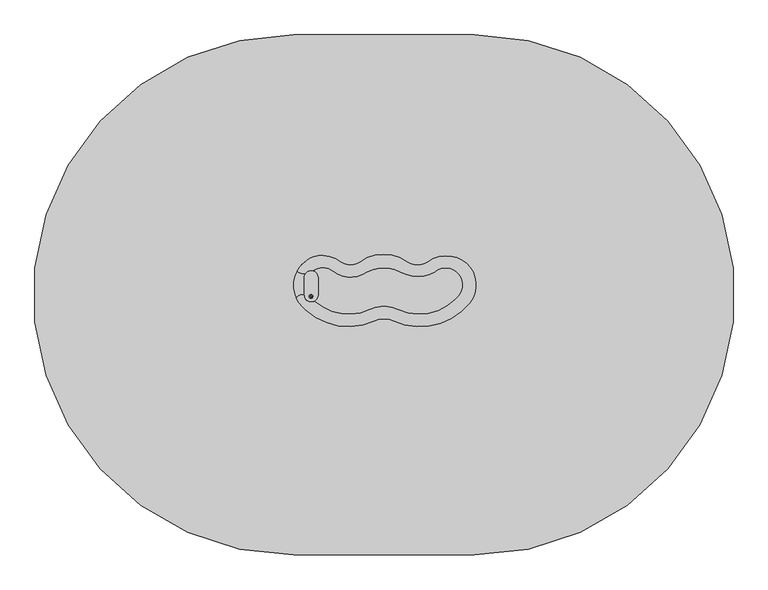
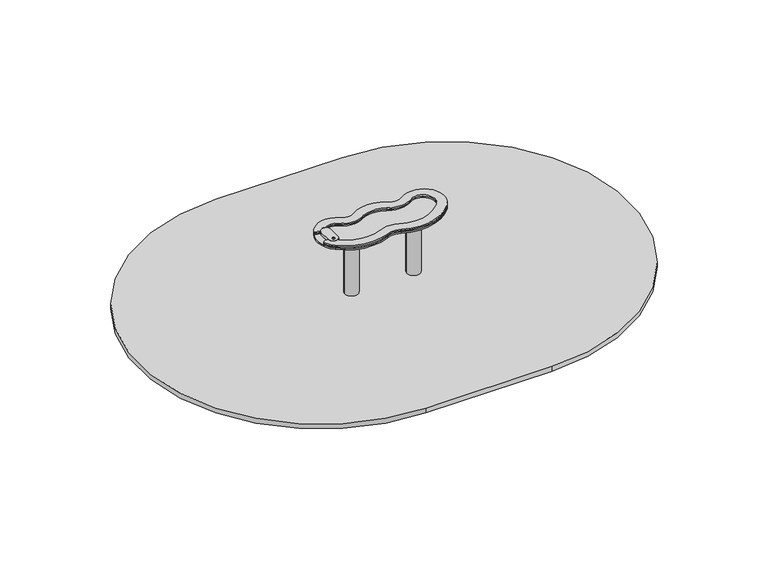
"""IFC4 building model written with IfcOpenShell, lengths in millimetres: furniture geometry."""

from ifc_helpers import new_model, si_unit, point, frame, frame_2d, origin, place, context, project, spatial, polyline, circle_curve, trimmed, segment, composite_curve, outline, extrude, source, transform, mapped, element, save
from ifc_brep_helpers import plane_surface, cylinder_surface, revolved_surface, extruded_surface, advanced_brep


def furniture_62fdcc9a(model_context):
    return source(origin(), model_context, "Body", "SolidModel", [
        advanced_brep(
        [(-344.5, 72.4599432, -225.0), (-357.0, 72.4599432, -225.0), (-369.5, 72.4599432, -225.0), (-429.5, 12.4599432, -225.0), (-429.5, -12.5400568, -225.0), (-369.5, -72.5400568, -225.0), (-344.5, -72.5400568, -225.0), (-284.5, -12.5400568, -225.0), (-284.5, 12.4599432, -225.0), (-267.0, 150.0, -460.0), (-357.0, 150.0, -460.0), (-447.0, 150.0, -460.0), (-507.0, 90.0, -460.0), (-507.0, -90.0, -460.0), (-447.0, -150.0, -460.0), (-267.0, -150.0, -460.0), (-207.0, -90.0, -460.0), (-207.0, 90.0, -460.0), (-267.0, 150.0, -600.0), (-207.0, 90.0, -600.0), (-207.0, -90.0, -600.0), (-267.0, -150.0, -600.0), (-447.0, -150.0, -600.0), (-507.0, -90.0, -600.0), (-507.0, 90.0, -600.0), (-447.0, 150.0, -600.0), (-357.0, 150.0, -600.0)],
        [
            (0, 1),
            (1, 2),
            (2, 3, circle_curve(frame((-369.5, 12.4599432, -225.0), z_axis=(0.0, 0.0, 1.0), x_axis=(1.0, 0.0, 0.0)), 60.0)),
            (3, 4),
            (4, 5, circle_curve(frame((-369.5, -12.5400568, -225.0), z_axis=(0.0, 0.0, 1.0), x_axis=(1.0, 0.0, 0.0)), 60.0)),
            (5, 6),
            (6, 7, circle_curve(frame((-344.5, -12.5400568, -225.0), z_axis=(0.0, 0.0, 1.0), x_axis=(1.0, 0.0, 0.0)), 60.0)),
            (7, 8),
            (8, 0, circle_curve(frame((-344.5, 12.4599432, -225.0), z_axis=(0.0, 0.0, 1.0), x_axis=(1.0, 0.0, 0.0)), 60.0)),
            (0, 9),
            (9, 10),
            (10, 1),
            (10, 11),
            (11, 2),
            (11, 12, circle_curve(frame((-447.0, 90.0, -460.0), z_axis=(0.0, 0.0, 1.0), x_axis=(1.0, 0.0, 0.0)), 60.0)),
            (12, 3),
            (12, 13),
            (13, 4),
            (13, 14, circle_curve(frame((-447.0, -90.0, -460.0), z_axis=(0.0, 0.0, 1.0), x_axis=(1.0, 0.0, 0.0)), 60.0)),
            (14, 5),
            (14, 15),
            (15, 6),
            (15, 16, circle_curve(frame((-267.0, -90.0, -460.0), z_axis=(0.0, 0.0, 1.0), x_axis=(1.0, 0.0, 0.0)), 60.0)),
            (16, 7),
            (16, 17),
            (17, 8),
            (17, 9, circle_curve(frame((-267.0, 90.0, -460.0), z_axis=(0.0, 0.0, 1.0), x_axis=(1.0, 0.0, 0.0)), 60.0)),
            (18, 19, circle_curve(frame((-267.0, 90.0, -600.0), z_axis=(0.0, 0.0, -1.0), x_axis=(1.0, 0.0, 0.0)), 60.0)),
            (19, 20),
            (20, 21, circle_curve(frame((-267.0, -90.0, -600.0), z_axis=(0.0, 0.0, -1.0), x_axis=(1.0, 0.0, 0.0)), 60.0)),
            (21, 22),
            (22, 23, circle_curve(frame((-447.0, -90.0, -600.0), z_axis=(0.0, 0.0, -1.0), x_axis=(1.0, 0.0, 0.0)), 60.0)),
            (23, 24),
            (24, 25, circle_curve(frame((-447.0, 90.0, -600.0), z_axis=(0.0, 0.0, -1.0), x_axis=(1.0, 0.0, 0.0)), 60.0)),
            (25, 26),
            (26, 18),
            (26, 10),
            (9, 18),
            (25, 11),
            (23, 13),
            (12, 24),
            (21, 15),
            (14, 22),
            (19, 17),
            (16, 20),
        ],
        [
            plane_surface(frame((-357.0, 8.0154988, -225.0), z_axis=(0.0, 0.0, 1.0), x_axis=(-1.0, 0.0, 0.0))),
            plane_surface(frame((-350.75, 72.4599432, -225.0), z_axis=(0.0, 0.9496406059136844, 0.3133412191204512), x_axis=(1.0, 0.0, 0.0))),
            plane_surface(frame((-363.25, 72.4599432, -225.0), z_axis=(0.0, 0.9496406059136843, 0.3133412191204512), x_axis=(1.0, 0.0, 0.0))),
            extruded_surface(trimmed(circle_curve(frame((-369.5, 12.4599432, -225.0), z_axis=(0.0, 0.0, -1.0), x_axis=(1.0, 0.0, 0.0)), 60.0), [point((-429.5, 12.4599432, -225.0))], [point((-369.5, 72.4599432, -225.0))], True, "CARTESIAN"), (-77.5, 77.5400568, -235.0), 259.3139225119763),
            plane_surface(frame((-429.5, -0.0400568, -225.0), z_axis=(-0.9496887635303409, 0.0, 0.31319523052596476), x_axis=(0.0, 1.0, 0.0))),
            extruded_surface(trimmed(circle_curve(frame((-369.5, -12.5400568, -225.0), z_axis=(0.0, 0.0, -1.0), x_axis=(1.0, 0.0, 0.0)), 60.0), [point((-369.5, -72.5400568, -225.0))], [point((-429.5, -12.5400568, -225.0))], True, "CARTESIAN"), (-77.5, -77.4599432, -235.0), 259.2899782107809),
            plane_surface(frame((-357.0, -72.5400568, -225.0), z_axis=(0.0, -0.9497369035840961, 0.3130492197250991), x_axis=(-1.0, 0.0, 0.0))),
            extruded_surface(trimmed(circle_curve(frame((-344.5, -12.5400568, -225.0), z_axis=(0.0, 0.0, -1.0), x_axis=(1.0, 0.0, 0.0)), 60.0), [point((-284.5, -12.5400568, -225.0))], [point((-344.5, -72.5400568, -225.0))], True, "CARTESIAN"), (77.5, -77.4599432, -235.0), 259.2899782107809),
            plane_surface(frame((-284.5, -0.0400568, -225.0), z_axis=(0.9496887635303416, 0.0, 0.3131952305259627), x_axis=(0.0, -1.0, 0.0))),
            extruded_surface(trimmed(circle_curve(frame((-344.5, 12.4599432, -225.0), z_axis=(0.0, 0.0, -1.0), x_axis=(1.0, 0.0, 0.0)), 60.0), [point((-344.5, 72.4599432, -225.0))], [point((-284.5, 12.4599432, -225.0))], True, "CARTESIAN"), (77.5, 77.5400568, -235.0), 259.3139225119763),
            plane_surface(frame((-357.0, 150.0, -600.0), z_axis=(0.0, 0.0, -1.0), x_axis=(1.0, 0.0, 0.0))),
            plane_surface(frame((-267.0, 150.0, -460.0), z_axis=(0.0, 1.0, 0.0), x_axis=(0.0, 0.0, -1.0))),
            plane_surface(frame((-357.0, 150.0, -460.0), z_axis=(0.0, 1.0, 0.0), x_axis=(0.0, 0.0, -1.0))),
            plane_surface(frame((-507.0, 90.0, -460.0), z_axis=(-1.0, 0.0, 0.0), x_axis=(0.0, 0.0, -1.0))),
            plane_surface(frame((-447.0, -150.0, -460.0), z_axis=(0.0, -1.0, 0.0), x_axis=(0.0, 0.0, -1.0))),
            plane_surface(frame((-207.0, -90.0, -460.0), z_axis=(1.0, 0.0, 0.0), x_axis=(0.0, 0.0, -1.0))),
            cylinder_surface(frame((-447.0, 90.0, -600.0), z_axis=(0.0, 0.0, 1.0), x_axis=(1.0, 0.0, 0.0)), 60.0),
            cylinder_surface(frame((-447.0, -90.0, -600.0), z_axis=(0.0, 0.0, 1.0), x_axis=(1.0, 0.0, 0.0)), 60.0),
            cylinder_surface(frame((-267.0, -90.0, -600.0), z_axis=(0.0, 0.0, 1.0), x_axis=(1.0, 0.0, 0.0)), 60.0),
            cylinder_surface(frame((-267.0, 90.0, -600.0), z_axis=(0.0, 0.0, 1.0), x_axis=(1.0, 0.0, 0.0)), 60.0),
        ],
        [
            (0, [[1, 2, 3, 4, 5, 6, 7, 8, 9]]),
            (1, [[-1, 10, 11, 12]]),
            (2, [[-2, -12, 13, 14]]),
            (3, [[-3, -14, 15, 16]]),
            (4, [[-4, -16, 17, 18]]),
            (5, [[-5, -18, 19, 20]]),
            (6, [[-6, -20, 21, 22]]),
            (7, [[-7, -22, 23, 24]]),
            (8, [[-8, -24, 25, 26]]),
            (9, [[-9, -26, 27, -10]]),
            (10, [[28, 29, 30, 31, 32, 33, 34, 35, 36]]),
            (11, [[-36, 37, -11, 38]]),
            (12, [[-35, 39, -13, -37]]),
            (13, [[-33, 40, -17, 41]]),
            (14, [[-31, 42, -21, 43]]),
            (15, [[-29, 44, -25, 45]]),
            (16, [[-34, -41, -15, -39]]),
            (17, [[-32, -43, -19, -40]]),
            (18, [[-30, -45, -23, -42]]),
            (19, [[-28, -38, -27, -44]]),
        ],
    ),
        extrude(outline(composite_curve([segment(trimmed(circle_curve(frame_2d((-357.0, 0.0)), 55.0), [point((-412.0, 0.0))], [point((-302.0, 0.0))], False, "CARTESIAN"), True, "CONTINUOUS"), segment(trimmed(circle_curve(frame_2d((-357.0, 0.0)), 55.0), [point((-302.0, 0.0))], [point((-412.0, 0.0))], False, "CARTESIAN"), True, "CONTINUOUS")], self_intersect=False)), frame((0.0, 0.0, -600.0), z_axis=(0.0, 0.0, 1.0), x_axis=(1.0, 0.0, 0.0)), (0.0, 0.0, 1.0), 500.0),
        advanced_brep(
        [(167.5, 72.4599432, -225.0), (155.0, 72.4599432, -225.0), (142.5, 72.4599432, -225.0), (82.5, 12.4599432, -225.0), (82.5, -12.5400568, -225.0), (142.5, -72.5400568, -225.0), (167.5, -72.5400568, -225.0), (227.5, -12.5400568, -225.0), (227.5, 12.4599432, -225.0), (245.0, 150.0, -460.0), (155.0, 150.0, -460.0), (65.0, 150.0, -460.0), (5.0, 90.0, -460.0), (5.0, -90.0, -460.0), (65.0, -150.0, -460.0), (245.0, -150.0, -460.0), (305.0, -90.0, -460.0), (305.0, 90.0, -460.0), (245.0, 150.0, -600.0), (305.0, 90.0, -600.0), (305.0, -90.0, -600.0), (245.0, -150.0, -600.0), (65.0, -150.0, -600.0), (5.0, -90.0, -600.0), (5.0, 90.0, -600.0), (65.0, 150.0, -600.0), (155.0, 150.0, -600.0)],
        [
            (0, 1),
            (1, 2),
            (2, 3, circle_curve(frame((142.5, 12.4599432, -225.0), z_axis=(0.0, 0.0, 1.0), x_axis=(1.0, 0.0, 0.0)), 60.0)),
            (3, 4),
            (4, 5, circle_curve(frame((142.5, -12.5400568, -225.0), z_axis=(0.0, 0.0, 1.0), x_axis=(1.0, 0.0, 0.0)), 60.0)),
            (5, 6),
            (6, 7, circle_curve(frame((167.5, -12.5400568, -225.0), z_axis=(0.0, 0.0, 1.0), x_axis=(1.0, 0.0, 0.0)), 60.0)),
            (7, 8),
            (8, 0, circle_curve(frame((167.5, 12.4599432, -225.0), z_axis=(0.0, 0.0, 1.0), x_axis=(1.0, 0.0, 0.0)), 60.0)),
            (0, 9),
            (9, 10),
            (10, 1),
            (10, 11),
            (11, 2),
            (11, 12, circle_curve(frame((65.0, 90.0, -460.0), z_axis=(0.0, 0.0, 1.0), x_axis=(1.0, 0.0, 0.0)), 60.0)),
            (12, 3),
            (12, 13),
            (13, 4),
            (13, 14, circle_curve(frame((65.0, -90.0, -460.0), z_axis=(0.0, 0.0, 1.0), x_axis=(1.0, 0.0, 0.0)), 60.0)),
            (14, 5),
            (14, 15),
            (15, 6),
            (15, 16, circle_curve(frame((245.0, -90.0, -460.0), z_axis=(0.0, 0.0, 1.0), x_axis=(1.0, 0.0, 0.0)), 60.0)),
            (16, 7),
            (16, 17),
            (17, 8),
            (17, 9, circle_curve(frame((245.0, 90.0, -460.0), z_axis=(0.0, 0.0, 1.0), x_axis=(1.0, 0.0, 0.0)), 60.0)),
            (18, 19, circle_curve(frame((245.0, 90.0, -600.0), z_axis=(0.0, 0.0, -1.0), x_axis=(1.0, 0.0, 0.0)), 60.0)),
            (19, 20),
            (20, 21, circle_curve(frame((245.0, -90.0, -600.0), z_axis=(0.0, 0.0, -1.0), x_axis=(1.0, 0.0, 0.0)), 60.0)),
            (21, 22),
            (22, 23, circle_curve(frame((65.0, -90.0, -600.0), z_axis=(0.0, 0.0, -1.0), x_axis=(1.0, 0.0, 0.0)), 60.0)),
            (23, 24),
            (24, 25, circle_curve(frame((65.0, 90.0, -600.0), z_axis=(0.0, 0.0, -1.0), x_axis=(1.0, 0.0, 0.0)), 60.0)),
            (25, 26),
            (26, 18),
            (26, 10),
            (9, 18),
            (25, 11),
            (23, 13),
            (12, 24),
            (21, 15),
            (14, 22),
            (19, 17),
            (16, 20),
        ],
        [
            plane_surface(frame((155.0, 8.0154988, -225.0), z_axis=(0.0, 0.0, 1.0), x_axis=(-1.0, 0.0, 0.0))),
            plane_surface(frame((161.25, 72.4599432, -225.0), z_axis=(0.0, 0.9496406059136844, 0.3133412191204512), x_axis=(1.0, 0.0, 0.0))),
            plane_surface(frame((148.75, 72.4599432, -225.0), z_axis=(0.0, 0.9496406059136843, 0.3133412191204512), x_axis=(1.0, 0.0, 0.0))),
            extruded_surface(trimmed(circle_curve(frame((142.5, 12.4599432, -225.0), z_axis=(0.0, 0.0, -1.0), x_axis=(1.0, 0.0, 0.0)), 60.0), [point((82.5, 12.4599432, -225.0))], [point((142.5, 72.4599432, -225.0))], True, "CARTESIAN"), (-77.5, 77.5400568, -235.0), 259.3139225119763),
            plane_surface(frame((82.5, -0.0400568, -225.0), z_axis=(-0.9496887635303409, 0.0, 0.31319523052596476), x_axis=(0.0, 1.0, 0.0))),
            extruded_surface(trimmed(circle_curve(frame((142.5, -12.5400568, -225.0), z_axis=(0.0, 0.0, -1.0), x_axis=(1.0, 0.0, 0.0)), 60.0), [point((142.5, -72.5400568, -225.0))], [point((82.5, -12.5400568, -225.0))], True, "CARTESIAN"), (-77.5, -77.4599432, -235.0), 259.2899782107809),
            plane_surface(frame((155.0, -72.5400568, -225.0), z_axis=(0.0, -0.9497369035840961, 0.3130492197250991), x_axis=(-1.0, 0.0, 0.0))),
            extruded_surface(trimmed(circle_curve(frame((167.5, -12.5400568, -225.0), z_axis=(0.0, 0.0, -1.0), x_axis=(1.0, 0.0, 0.0)), 60.0), [point((227.5, -12.5400568, -225.0))], [point((167.5, -72.5400568, -225.0))], True, "CARTESIAN"), (77.5, -77.4599432, -235.0), 259.2899782107809),
            plane_surface(frame((227.5, -0.0400568, -225.0), z_axis=(0.9496887635303416, 0.0, 0.3131952305259627), x_axis=(0.0, -1.0, 0.0))),
            extruded_surface(trimmed(circle_curve(frame((167.5, 12.4599432, -225.0), z_axis=(0.0, 0.0, -1.0), x_axis=(1.0, 0.0, 0.0)), 60.0), [point((167.5, 72.4599432, -225.0))], [point((227.5, 12.4599432, -225.0))], True, "CARTESIAN"), (77.5, 77.5400568, -235.0), 259.3139225119763),
            plane_surface(frame((155.0, 150.0, -600.0), z_axis=(0.0, 0.0, -1.0), x_axis=(1.0, 0.0, 0.0))),
            plane_surface(frame((245.0, 150.0, -460.0), z_axis=(0.0, 1.0, 0.0), x_axis=(0.0, 0.0, -1.0))),
            plane_surface(frame((155.0, 150.0, -460.0), z_axis=(0.0, 1.0, 0.0), x_axis=(0.0, 0.0, -1.0))),
            plane_surface(frame((5.0, 90.0, -460.0), z_axis=(-1.0, 0.0, 0.0), x_axis=(0.0, 0.0, -1.0))),
            plane_surface(frame((65.0, -150.0, -460.0), z_axis=(0.0, -1.0, 0.0), x_axis=(0.0, 0.0, -1.0))),
            plane_surface(frame((305.0, -90.0, -460.0), z_axis=(1.0, 0.0, 0.0), x_axis=(0.0, 0.0, -1.0))),
            cylinder_surface(frame((65.0, 90.0, -600.0), z_axis=(0.0, 0.0, 1.0), x_axis=(1.0, 0.0, 0.0)), 60.0),
            cylinder_surface(frame((65.0, -90.0, -600.0), z_axis=(0.0, 0.0, 1.0), x_axis=(1.0, 0.0, 0.0)), 60.0),
            cylinder_surface(frame((245.0, -90.0, -600.0), z_axis=(0.0, 0.0, 1.0), x_axis=(1.0, 0.0, 0.0)), 60.0),
            cylinder_surface(frame((245.0, 90.0, -600.0), z_axis=(0.0, 0.0, 1.0), x_axis=(1.0, 0.0, 0.0)), 60.0),
        ],
        [
            (0, [[1, 2, 3, 4, 5, 6, 7, 8, 9]]),
            (1, [[-1, 10, 11, 12]]),
            (2, [[-2, -12, 13, 14]]),
            (3, [[-3, -14, 15, 16]]),
            (4, [[-4, -16, 17, 18]]),
            (5, [[-5, -18, 19, 20]]),
            (6, [[-6, -20, 21, 22]]),
            (7, [[-7, -22, 23, 24]]),
            (8, [[-8, -24, 25, 26]]),
            (9, [[-9, -26, 27, -10]]),
            (10, [[28, 29, 30, 31, 32, 33, 34, 35, 36]]),
            (11, [[-36, 37, -11, 38]]),
            (12, [[-35, 39, -13, -37]]),
            (13, [[-33, 40, -17, 41]]),
            (14, [[-31, 42, -21, 43]]),
            (15, [[-29, 44, -25, 45]]),
            (16, [[-34, -41, -15, -39]]),
            (17, [[-32, -43, -19, -40]]),
            (18, [[-30, -45, -23, -42]]),
            (19, [[-28, -38, -27, -44]]),
        ],
    ),
        extrude(outline(composite_curve([segment(trimmed(circle_curve(frame_2d((155.0, 0.0)), 55.0), [point((100.0, 0.0))], [point((210.0, 0.0))], False, "CARTESIAN"), True, "CONTINUOUS"), segment(trimmed(circle_curve(frame_2d((155.0, 0.0)), 55.0), [point((210.0, 0.0))], [point((100.0, 0.0))], False, "CARTESIAN"), True, "CONTINUOUS")], self_intersect=False)), frame((0.0, 0.0, -600.0), z_axis=(0.0, 0.0, 1.0), x_axis=(1.0, 0.0, 0.0)), (0.0, 0.0, 1.0), 500.0),
        extrude(outline(composite_curve([segment(polyline([(420.0, -1520.0), (-620.0, -1520.0)]), True, "CONTINUOUS"), segment(trimmed(circle_curve(frame_2d((-620.0, -20.0)), 1500.0), [point((-620.0, -1520.0))], [point((-620.0, 1480.0))], False, "CARTESIAN"), True, "CONTINUOUS"), segment(polyline([(-620.0, 1480.0), (420.0, 1480.0)]), True, "CONTINUOUS"), segment(trimmed(circle_curve(frame_2d((420.0, -20.0)), 1500.0), [point((420.0, 1480.0))], [point((420.0, -1520.0))], False, "CARTESIAN"), True, "CONTINUOUS")], self_intersect=False)), frame((0.0, 0.0, -40.0), z_axis=(0.0, 0.0, 1.0), x_axis=(1.0, 0.0, 0.0)), (0.0, 0.0, 1.0), 41.0),
        extrude(outline(composite_curve([segment(trimmed(circle_curve(frame_2d((-102.2659791, -73.0816305)), 209.6180446), [point((-0.3332943, 110.0834655))], [point((-200.5862924, 112.0476233))], True, "CARTESIAN"), True, "CONTINUOUS"), segment(trimmed(circle_curve(frame_2d((-293.0656209, 242.3534415)), 159.7874602), [point((-200.5862924, 112.0476233))], [point((-390.6376458, 115.8159671))], False, "CARTESIAN"), True, "CONTINUOUS"), segment(trimmed(circle_curve(frame_2d((-452.4761137, 35.6199935)), 101.2689009), [point((-390.6376458, 115.8159671))], [point((-451.8319199, 136.8868455))], True, "CARTESIAN"), True, "CONTINUOUS"), segment(trimmed(circle_curve(frame_2d((-452.4761137, 35.6199935)), 101.2689009), [point((-451.8319199, 136.8868455))], [point((-508.2367259, 120.1548645))], True, "CARTESIAN"), True, "CONTINUOUS"), segment(trimmed(circle_curve(frame_2d((-509.6132742, 122.2417557)), 2.5), [point((-508.2367259, 120.1548645))], [point((-510.2102124, 119.8140686))], False, "CARTESIAN"), True, "CONTINUOUS"), segment(trimmed(circle_curve(frame_2d((-520.0, 80.0)), 41.0), [point((-510.2102124, 119.8140686))], [point((-552.6898894, 104.7461337))], True, "CARTESIAN"), True, "CONTINUOUS"), segment(trimmed(circle_curve(frame_2d((-555.0390087, 106.5244089)), 2.94629), [point((-552.6898894, 104.7461337))], [point((-554.4212073, 103.6436198))], False, "CARTESIAN"), True, "CONTINUOUS"), segment(trimmed(circle_curve(frame_2d((-565.3468737, 154.5896657)), 52.1044123), [point((-554.4212073, 103.6436198))], [point((-599.0727545, 114.872733))], False, "CARTESIAN"), True, "CONTINUOUS"), segment(trimmed(circle_curve(frame_2d((-597.7527226, 116.4272548)), 2.0393681), [point((-599.0727545, 114.872733))], [point((-599.5578136, 117.3762904))], False, "CARTESIAN"), True, "CONTINUOUS"), segment(trimmed(circle_curve(frame_2d((-441.6926021, 34.377865)), 178.3540401), [point((-599.5578136, 117.3762904))], [point((-545.2898954, 179.5596974))], False, "CARTESIAN"), True, "CONTINUOUS"), segment(trimmed(circle_curve(frame_2d((-459.2916939, 59.0413317)), 148.055284), [point((-545.2898954, 179.5596974))], [point((-451.3866344, 206.8854292))], False, "CARTESIAN"), True, "CONTINUOUS"), segment(trimmed(circle_curve(frame_2d((-462.0271367, 7.8818085)), 199.2878855), [point((-451.3866344, 206.8854292))], [point((-347.8931042, 171.2497489))], False, "CARTESIAN"), True, "CONTINUOUS"), segment(trimmed(circle_curve(frame_2d((-293.0656209, 249.7281206)), 95.7335247), [point((-347.8931042, 171.2497489))], [point((-238.2381376, 171.2497489))], True, "CARTESIAN"), True, "CONTINUOUS"), segment(trimmed(circle_curve(frame_2d((-102.2659791, -23.3766128)), 237.4191412), [point((-238.2381376, 171.2497489))], [point((33.7061795, 171.2497489))], False, "CARTESIAN"), True, "CONTINUOUS"), segment(trimmed(circle_curve(frame_2d((92.9198614, 256.0063903)), 103.3922066), [point((33.7061795, 171.2497489))], [point((152.1335434, 171.2497489))], True, "CARTESIAN"), True, "CONTINUOUS"), segment(trimmed(circle_curve(frame_2d((260.2422098, 16.506332)), 188.7670756), [point((152.1335434, 171.2497489))], [point((289.5745864, 202.9805139))], False, "CARTESIAN"), True, "CONTINUOUS"), segment(trimmed(circle_curve(frame_2d((263.6734883, 38.3199362)), 166.6852505), [point((289.5745864, 202.9805139))], [point((393.0785197, -66.7434284))], False, "CARTESIAN"), True, "CONTINUOUS"), segment(trimmed(circle_curve(frame_2d((107.8221861, 164.8549095)), 367.4356624), [point((393.0785197, -66.7434284))], [point((-44.6217277, -169.4650258))], False, "CARTESIAN"), True, "CONTINUOUS"), segment(trimmed(circle_curve(frame_2d((-100.3253641, -291.6269124)), 134.2625102), [point((-44.6217277, -169.4650258))], [point((-156.0290004, -169.4650258))], True, "CARTESIAN"), True, "CONTINUOUS"), segment(trimmed(circle_curve(frame_2d((-306.0607811, 159.5649366)), 361.6216965), [point((-156.0290004, -169.4650258))], [point((-550.4253338, -106.9987833))], False, "CARTESIAN"), True, "CONTINUOUS"), segment(trimmed(circle_curve(frame_2d((-441.6926021, 34.377865)), 178.3540401), [point((-550.4253338, -106.9987833))], [point((-604.5468512, -38.3452894))], False, "CARTESIAN"), True, "CONTINUOUS"), segment(trimmed(circle_curve(frame_2d((-602.2641127, -37.3259242)), 2.5), [point((-604.5468512, -38.3452894))], [point((-604.4451689, -36.1040428))], False, "CARTESIAN"), True, "CONTINUOUS"), segment(trimmed(circle_curve(frame_2d((-574.8667442, -52.6746054)), 33.9037867), [point((-604.4451689, -36.1040428))], [point((-562.4468504, -21.1276089))], False, "CARTESIAN"), True, "CONTINUOUS"), segment(trimmed(circle_curve(frame_2d((-563.3626694, -23.4538237)), 2.5), [point((-562.4468504, -21.1276089))], [point((-560.870562, -23.2553281))], False, "CARTESIAN"), True, "CONTINUOUS"), segment(trimmed(circle_curve(frame_2d((-520.0, -20.0)), 41.0), [point((-560.870562, -23.2553281))], [point((-502.6010397, -57.1251421))], True, "CARTESIAN"), True, "CONTINUOUS"), segment(trimmed(circle_curve(frame_2d((-501.5401274, -59.3888703)), 2.5), [point((-502.6010397, -57.1251421))], [point((-499.8845963, -57.51558))], False, "CARTESIAN"), True, "CONTINUOUS"), segment(trimmed(circle_curve(frame_2d((-304.9723407, 163.0343298)), 294.3349285), [point((-499.8845963, -57.51558))], [point((-180.7247201, -103.7906669))], True, "CARTESIAN"), True, "CONTINUOUS"), segment(trimmed(circle_curve(frame_2d((-100.7343314, -275.5721072)), 189.4922835), [point((-180.7247201, -103.7906669))], [point((-20.7439427, -103.7906669))], False, "CARTESIAN"), True, "CONTINUOUS"), segment(trimmed(circle_curve(frame_2d((103.1584535, 162.2929513)), 293.5171131), [point((-20.7439427, -103.7906669))], [point((313.6841272, -42.2339085))], True, "CARTESIAN"), True, "CONTINUOUS"), segment(trimmed(circle_curve(frame_2d((255.3701318, 37.6096206)), 98.8711849), [point((313.6841272, -42.2339085))], [point((191.8250938, 113.3561674))], True, "CARTESIAN"), True, "CONTINUOUS"), segment(trimmed(circle_curve(frame_2d((92.9198614, 277.6521238)), 191.7691484), [point((191.8250938, 113.3561674))], [point((-0.3332943, 110.0834655))], False, "CARTESIAN"), True, "CONTINUOUS")], self_intersect=False)), frame((0.0, 0.0, 528.5936532), z_axis=(0.0, 0.0, 1.0), x_axis=(1.0, 0.0, 0.0)), (0.0, 0.0, 1.0), 12.1330298),
        extrude(outline(composite_curve([segment(trimmed(circle_curve(frame_2d((-102.2659791, -73.0816305)), 209.6180446), [point((-0.3332943, 110.0834655))], [point((-200.5862924, 112.0476233))], True, "CARTESIAN"), True, "CONTINUOUS"), segment(trimmed(circle_curve(frame_2d((-293.0656209, 242.3534415)), 159.7874602), [point((-200.5862924, 112.0476233))], [point((-390.6376458, 115.8159671))], False, "CARTESIAN"), True, "CONTINUOUS"), segment(trimmed(circle_curve(frame_2d((-452.4761137, 35.6199935)), 101.2689009), [point((-390.6376458, 115.8159671))], [point((-451.8319199, 136.8868455))], True, "CARTESIAN"), True, "CONTINUOUS"), segment(trimmed(circle_curve(frame_2d((-452.4761137, 35.6199935)), 101.2689009), [point((-451.8319199, 136.8868455))], [point((-508.2367259, 120.1548645))], True, "CARTESIAN"), True, "CONTINUOUS"), segment(trimmed(circle_curve(frame_2d((-509.6132742, 122.2417557)), 2.5), [point((-508.2367259, 120.1548645))], [point((-510.2102124, 119.8140686))], False, "CARTESIAN"), True, "CONTINUOUS"), segment(trimmed(circle_curve(frame_2d((-520.0, 80.0)), 41.0), [point((-510.2102124, 119.8140686))], [point((-552.6898894, 104.7461337))], True, "CARTESIAN"), True, "CONTINUOUS"), segment(trimmed(circle_curve(frame_2d((-555.0390087, 106.5244089)), 2.94629), [point((-552.6898894, 104.7461337))], [point((-554.4212073, 103.6436198))], False, "CARTESIAN"), True, "CONTINUOUS"), segment(trimmed(circle_curve(frame_2d((-565.3468737, 154.5896657)), 52.1044123), [point((-554.4212073, 103.6436198))], [point((-599.0727545, 114.872733))], False, "CARTESIAN"), True, "CONTINUOUS"), segment(trimmed(circle_curve(frame_2d((-597.7527226, 116.4272548)), 2.0393681), [point((-599.0727545, 114.872733))], [point((-599.5578136, 117.3762904))], False, "CARTESIAN"), True, "CONTINUOUS"), segment(trimmed(circle_curve(frame_2d((-441.6926021, 34.377865)), 178.3540401), [point((-599.5578136, 117.3762904))], [point((-545.2898954, 179.5596974))], False, "CARTESIAN"), True, "CONTINUOUS"), segment(trimmed(circle_curve(frame_2d((-459.2916939, 59.0413317)), 148.055284), [point((-545.2898954, 179.5596974))], [point((-451.3866344, 206.8854292))], False, "CARTESIAN"), True, "CONTINUOUS"), segment(trimmed(circle_curve(frame_2d((-462.0271367, 7.8818085)), 199.2878855), [point((-451.3866344, 206.8854292))], [point((-347.8931042, 171.2497489))], False, "CARTESIAN"), True, "CONTINUOUS"), segment(trimmed(circle_curve(frame_2d((-293.0656209, 249.7281206)), 95.7335247), [point((-347.8931042, 171.2497489))], [point((-238.2381376, 171.2497489))], True, "CARTESIAN"), True, "CONTINUOUS"), segment(trimmed(circle_curve(frame_2d((-102.2659791, -23.3766128)), 237.4191412), [point((-238.2381376, 171.2497489))], [point((33.7061795, 171.2497489))], False, "CARTESIAN"), True, "CONTINUOUS"), segment(trimmed(circle_curve(frame_2d((92.9198614, 256.0063903)), 103.3922066), [point((33.7061795, 171.2497489))], [point((152.1335434, 171.2497489))], True, "CARTESIAN"), True, "CONTINUOUS"), segment(trimmed(circle_curve(frame_2d((260.2422098, 16.506332)), 188.7670756), [point((152.1335434, 171.2497489))], [point((289.5745864, 202.9805139))], False, "CARTESIAN"), True, "CONTINUOUS"), segment(trimmed(circle_curve(frame_2d((263.6734883, 38.3199362)), 166.6852505), [point((289.5745864, 202.9805139))], [point((393.0785197, -66.7434284))], False, "CARTESIAN"), True, "CONTINUOUS"), segment(trimmed(circle_curve(frame_2d((107.8221861, 164.8549095)), 367.4356624), [point((393.0785197, -66.7434284))], [point((-44.6217277, -169.4650258))], False, "CARTESIAN"), True, "CONTINUOUS"), segment(trimmed(circle_curve(frame_2d((-100.3253641, -291.6269124)), 134.2625102), [point((-44.6217277, -169.4650258))], [point((-156.0290004, -169.4650258))], True, "CARTESIAN"), True, "CONTINUOUS"), segment(trimmed(circle_curve(frame_2d((-306.0607811, 159.5649366)), 361.6216965), [point((-156.0290004, -169.4650258))], [point((-550.4253338, -106.9987833))], False, "CARTESIAN"), True, "CONTINUOUS"), segment(trimmed(circle_curve(frame_2d((-441.6926021, 34.377865)), 178.3540401), [point((-550.4253338, -106.9987833))], [point((-604.5468512, -38.3452894))], False, "CARTESIAN"), True, "CONTINUOUS"), segment(trimmed(circle_curve(frame_2d((-602.2641127, -37.3259242)), 2.5), [point((-604.5468512, -38.3452894))], [point((-604.4451689, -36.1040428))], False, "CARTESIAN"), True, "CONTINUOUS"), segment(trimmed(circle_curve(frame_2d((-574.8667442, -52.6746054)), 33.9037867), [point((-604.4451689, -36.1040428))], [point((-562.4468504, -21.1276089))], False, "CARTESIAN"), True, "CONTINUOUS"), segment(trimmed(circle_curve(frame_2d((-563.3626694, -23.4538237)), 2.5), [point((-562.4468504, -21.1276089))], [point((-560.870562, -23.2553281))], False, "CARTESIAN"), True, "CONTINUOUS"), segment(trimmed(circle_curve(frame_2d((-520.0, -20.0)), 41.0), [point((-560.870562, -23.2553281))], [point((-502.6010397, -57.1251421))], True, "CARTESIAN"), True, "CONTINUOUS"), segment(trimmed(circle_curve(frame_2d((-501.5401274, -59.3888703)), 2.5), [point((-502.6010397, -57.1251421))], [point((-499.8845963, -57.51558))], False, "CARTESIAN"), True, "CONTINUOUS"), segment(trimmed(circle_curve(frame_2d((-304.9723407, 163.0343298)), 294.3349285), [point((-499.8845963, -57.51558))], [point((-180.7247201, -103.7906669))], True, "CARTESIAN"), True, "CONTINUOUS"), segment(trimmed(circle_curve(frame_2d((-100.7343314, -275.5721072)), 189.4922835), [point((-180.7247201, -103.7906669))], [point((-20.7439427, -103.7906669))], False, "CARTESIAN"), True, "CONTINUOUS"), segment(trimmed(circle_curve(frame_2d((103.1584535, 162.2929513)), 293.5171131), [point((-20.7439427, -103.7906669))], [point((313.6841272, -42.2339085))], True, "CARTESIAN"), True, "CONTINUOUS"), segment(trimmed(circle_curve(frame_2d((255.3701318, 37.6096206)), 98.8711849), [point((313.6841272, -42.2339085))], [point((191.8250938, 113.3561674))], True, "CARTESIAN"), True, "CONTINUOUS"), segment(trimmed(circle_curve(frame_2d((92.9198614, 277.6521238)), 191.7691484), [point((191.8250938, 113.3561674))], [point((-0.3332943, 110.0834655))], False, "CARTESIAN"), True, "CONTINUOUS")], self_intersect=False)), frame((0.0, 0.0, 517.0), z_axis=(0.0, 0.0, 1.0), x_axis=(1.0, 0.0, 0.0)), (0.0, 0.0, 1.0), 11.5936532),
        extrude(outline(composite_curve([segment(trimmed(circle_curve(frame_2d((-459.2916939, 59.0413317)), 148.055284), [point((-545.2898954, 179.5596974))], [point((-451.3866344, 206.8854292))], False, "CARTESIAN"), True, "CONTINUOUS"), segment(trimmed(circle_curve(frame_2d((-462.0271367, 7.8818085)), 199.2878855), [point((-451.3866344, 206.8854292))], [point((-347.8931042, 171.2497489))], False, "CARTESIAN"), True, "CONTINUOUS"), segment(trimmed(circle_curve(frame_2d((-293.0656209, 249.7281206)), 95.7335247), [point((-347.8931042, 171.2497489))], [point((-238.2381376, 171.2497489))], True, "CARTESIAN"), True, "CONTINUOUS"), segment(trimmed(circle_curve(frame_2d((-102.2659791, -23.3766128)), 237.4191412), [point((-238.2381376, 171.2497489))], [point((33.7061795, 171.2497489))], False, "CARTESIAN"), True, "CONTINUOUS"), segment(trimmed(circle_curve(frame_2d((92.9198614, 256.0063903)), 103.3922066), [point((33.7061795, 171.2497489))], [point((152.1335434, 171.2497489))], True, "CARTESIAN"), True, "CONTINUOUS"), segment(trimmed(circle_curve(frame_2d((260.2422098, 16.506332)), 188.7670756), [point((152.1335434, 171.2497489))], [point((289.5745864, 202.9805139))], False, "CARTESIAN"), True, "CONTINUOUS"), segment(trimmed(circle_curve(frame_2d((263.6734883, 38.3199362)), 166.6852505), [point((289.5745864, 202.9805139))], [point((393.0785197, -66.7434284))], False, "CARTESIAN"), True, "CONTINUOUS"), segment(trimmed(circle_curve(frame_2d((107.8221861, 164.8549095)), 367.4356624), [point((393.0785197, -66.7434284))], [point((-44.6217277, -169.4650258))], False, "CARTESIAN"), True, "CONTINUOUS"), segment(trimmed(circle_curve(frame_2d((-100.3253641, -291.6269124)), 134.2625102), [point((-44.6217277, -169.4650258))], [point((-156.0290004, -169.4650258))], True, "CARTESIAN"), True, "CONTINUOUS"), segment(trimmed(circle_curve(frame_2d((-306.0607811, 159.5649366)), 361.6216965), [point((-156.0290004, -169.4650258))], [point((-550.4253338, -106.9987833))], False, "CARTESIAN"), True, "CONTINUOUS"), segment(trimmed(circle_curve(frame_2d((-441.6926021, 34.377865)), 178.3540401), [point((-550.4253338, -106.9987833))], [point((-545.2898954, 179.5596974))], False, "CARTESIAN"), True, "CONTINUOUS")], self_intersect=False)), frame((0.0, 0.0, 505.0), z_axis=(0.0, 0.0, 1.0), x_axis=(1.0, 0.0, 0.0)), (0.0, 0.0, 1.0), 12.0),
        extrude(outline(composite_curve([segment(trimmed(circle_curve(frame_2d((-357.0, 0.0)), 55.0), [point((-412.0, 0.0))], [point((-302.0, 0.0))], False, "CARTESIAN"), True, "CONTINUOUS"), segment(trimmed(circle_curve(frame_2d((-357.0, 0.0)), 55.0), [point((-302.0, 0.0))], [point((-412.0, 0.0))], False, "CARTESIAN"), True, "CONTINUOUS")], self_intersect=False)), frame((0.0, 0.0, -100.0), z_axis=(0.0, 0.0, 1.0), x_axis=(1.0, 0.0, 0.0)), (0.0, 0.0, 1.0), 605.0),
        extrude(outline(composite_curve([segment(trimmed(circle_curve(frame_2d((155.0, 0.0)), 55.0), [point((100.0, 0.0))], [point((210.0, 0.0))], False, "CARTESIAN"), True, "CONTINUOUS"), segment(trimmed(circle_curve(frame_2d((155.0, 0.0)), 55.0), [point((210.0, 0.0))], [point((100.0, 0.0))], False, "CARTESIAN"), True, "CONTINUOUS")], self_intersect=False)), frame((0.0, 0.0, -100.0), z_axis=(0.0, 0.0, 1.0), x_axis=(1.0, 0.0, 0.0)), (0.0, 0.0, 1.0), 605.0),
        extrude(outline(composite_curve([segment(trimmed(circle_curve(frame_2d((-520.0, 80.0)), 40.0), [point((-560.0, 80.0))], [point((-480.0, 80.0))], False, "CARTESIAN"), True, "CONTINUOUS"), segment(polyline([(-480.0, 80.0), (-480.0, -20.0)]), True, "CONTINUOUS"), segment(trimmed(circle_curve(frame_2d((-520.0, -20.0)), 40.0), [point((-480.0, -20.0))], [point((-560.0, -20.0))], False, "CARTESIAN"), True, "CONTINUOUS"), segment(polyline([(-560.0, -20.0), (-560.0, 80.0)]), True, "CONTINUOUS")], self_intersect=False)), frame((0.0, 0.0, 517.0), z_axis=(0.0, 0.0, 1.0), x_axis=(1.0, 0.0, 0.0)), (0.0, 0.0, 1.0), 23.726683),
        advanced_brep(
        [(-525.9875982, -28.9019286, 548.726683), (-515.9875982, -28.9019286, 548.726683), (-532.9875982, -28.9019286, 540.726683), (-508.9875982, -28.9019286, 540.726683)],
        [
            (0, 1, circle_curve(frame((-520.9875982, -28.9019286, 548.726683), z_axis=(0.0, 0.0, 1.0), x_axis=(-1.0, 0.0, 0.0)), 5.0)),
            (1, 0, circle_curve(frame((-520.9875982, -28.9019286, 548.726683), z_axis=(0.0, 0.0, 1.0), x_axis=(1.0, 0.0, 0.0)), 5.0)),
            (2, 3, circle_curve(frame((-520.9875982, -28.9019286, 540.726683), z_axis=(0.0, 0.0, -1.0), x_axis=(1.0, 0.0, 0.0)), 12.0)),
            (3, 2, circle_curve(frame((-520.9875982, -28.9019286, 540.726683), z_axis=(0.0, 0.0, -1.0), x_axis=(-1.0, 0.0, 0.0)), 12.0)),
            (3, 1),
            (0, 2),
        ],
        [
            plane_surface(frame((-520.9875982, -28.9019286, 548.726683), z_axis=(0.0, 0.0, 1.0), x_axis=(0.0, -1.0, 0.0))),
            plane_surface(frame((-520.9875982, -28.9019286, 540.726683), z_axis=(0.0, 0.0, -1.0), x_axis=(0.0, -1.0, 0.0))),
            revolved_surface(polyline([(-525.9875981927083, -28.9019286, 548.726683), (-532.9875982, -28.9019286, 540.726683)]), (-520.9875982, -28.9019286, 554.4409687), (0.0, 0.0, -1.0)),
            revolved_surface(polyline([(-515.9875982072916, -28.9019286, 548.726683), (-508.9875982, -28.9019286, 540.726683)]), (-520.9875982, -28.9019286, 554.4409687), (0.0, 0.0, -1.0)),
        ],
        [
            (0, [[1, 2]]),
            (1, [[3, 4]]),
            (2, [[-4, 5, -1, 6]]),
            (3, [[-3, -6, -2, -5]]),
        ],
    ),
    ])


if __name__ == "__main__":
    model = new_model("IFC4")
    model_context = context("Model", 3, world=origin())
    ifc_project = project(units=[si_unit("LENGTHUNIT", "METRE", prefix="MILLI")], contexts=[model_context])
    site = spatial("IfcSite", under=ifc_project)
    building = spatial("IfcBuilding", under=site)
    placement = place(None, origin())
    furniture_shape = furniture_62fdcc9a(model_context)
    element("IfcFurniture", 1, at=placement, inside=building, context=model_context, shape_type="MappedRepresentation", body=[
        mapped(furniture_shape, transform((0.0, 0.0, 0.0), x_axis=(1.0, 0.0, 0.0), y_axis=(0.0, 1.0, 0.0), z_axis=(0.0, 0.0, 1.0))),
    ])
    save(model, "model.ifc")
